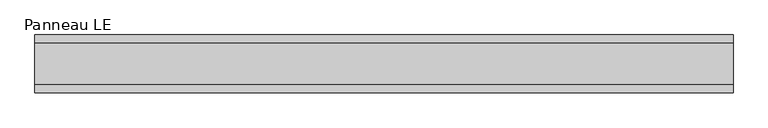
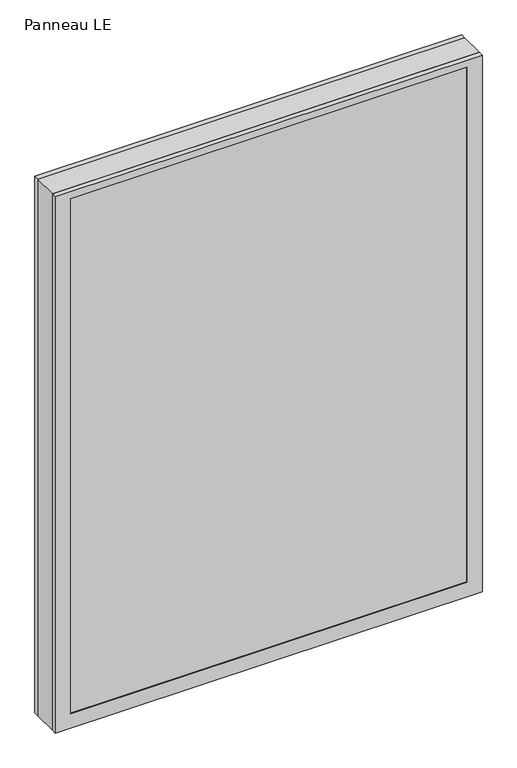
"""IFC4 building model written with IfcOpenShell, lengths in millimetres: plate geometry, Panneau LE."""

from ifc_helpers import new_model, si_unit, frame, origin, place, context, project, spatial, polyline, outline, extrude, faceted_brep, source, transform, mapped, element, save


def panneau_le_fe70c962(model_context):
    return source(origin(), model_context, "Body", "SolidModel", [
        faceted_brep([(-544.8750001, 33.0, 1446.5), (-544.8750001, 45.0, 1446.5), (-544.8750001, 45.0, 0.0), (-544.8750001, 33.0, 0.0), (544.8750001, 33.0, 0.0), (544.8750001, 45.0, 0.0), (544.8750001, 45.0, 1446.5), (544.8750001, 33.0, 1446.5), (-505.8750001, 45.0, 1427.5), (-505.8750001, 45.0, 39.0), (505.8750001, 45.0, 39.0), (505.8750001, 45.0, 1427.5), (505.8750001, 43.8, 1427.5), (-505.8750001, 43.8, 1427.5), (-520.8750001, 43.8, 1442.5), (-520.8750001, 43.8, 24.0), (520.8750001, 43.8, 24.0), (520.8750001, 43.8, 1442.5), (505.8750001, 43.8, 39.0), (-505.8750001, 43.8, 39.0), (520.8750001, 33.0, 1442.5), (-520.8750001, 33.0, 1442.5), (520.8750001, 33.0, 24.0), (-520.8750001, 33.0, 24.0)], [[[0, 1, 2, 3]], [[4, 5, 6, 7]], [[6, 1, 0, 7]], [[2, 1, 6, 5], [8, 9, 10, 11]], [[8, 11, 12, 13]], [[14, 15, 16, 17], [13, 12, 18, 19]], [[14, 17, 20, 21]], [[0, 3, 4, 7], [20, 22, 23, 21]], [[23, 22, 16, 15]], [[19, 18, 10, 9]], [[4, 3, 2, 5]], [[21, 23, 15, 14]], [[13, 19, 9, 8]], [[18, 12, 11, 10]], [[22, 20, 17, 16]]]),
        faceted_brep([(-544.8750001, -33.0, 0.0), (-544.8750001, -45.0, 0.0), (-544.8750001, -45.0, 1446.5), (-544.8750001, -33.0, 1446.5), (544.8750001, -45.0, 0.0), (544.8750001, -33.0, 0.0), (544.8750001, -33.0, 1446.5), (544.8750001, -45.0, 1446.5), (505.8750001, -45.0, 1427.5), (505.8750001, -45.0, 39.0), (-505.8750001, -45.0, 39.0), (-505.8750001, -45.0, 1427.5), (-520.8750001, -33.0, 1442.5), (-520.8750001, -33.0, 24.0), (520.8750001, -33.0, 24.0), (520.8750001, -33.0, 1442.5), (520.8750001, -43.8, 1442.5), (-520.8750001, -43.8, 1442.5), (520.8750001, -43.8, 24.0), (-520.8750001, -43.8, 24.0), (-505.8750001, -43.8, 1427.5), (-505.8750001, -43.8, 39.0), (505.8750001, -43.8, 39.0), (505.8750001, -43.8, 1427.5)], [[[0, 1, 2, 3]], [[4, 5, 6, 7]], [[2, 1, 4, 7], [8, 9, 10, 11]], [[6, 3, 2, 7]], [[0, 3, 6, 5], [12, 13, 14, 15]], [[12, 15, 16, 17]], [[17, 16, 18, 19], [20, 21, 22, 23]], [[8, 11, 20, 23]], [[10, 9, 22, 21]], [[19, 18, 14, 13]], [[4, 1, 0, 5]], [[11, 10, 21, 20]], [[17, 19, 13, 12]], [[18, 16, 15, 14]], [[9, 8, 23, 22]]]),
        extrude(outline(polyline([(1446.5, 544.8750001), (1446.5, -544.8750001), (0.0, -544.8750001), (0.0, 544.8750001), (1446.5, 544.8750001)]), holes=[polyline([(46.0, -504.8750001), (1420.5, -504.8750001), (1420.5, 504.8750001), (46.0, 504.8750001), (46.0, -504.8750001)])]), frame((0.0, -33.0, 0.0), z_axis=(0.0, 1.0, 0.0), x_axis=(0.0, 0.0, 1.0)), (0.0, 0.0, 1.0), 66.0),
        extrude(outline(polyline([(520.8750001, 37.8), (-520.8750001, 37.8), (-520.8750001, 43.8), (520.8750001, 43.8), (520.8750001, 37.8)])), frame((0.0, 0.0, 24.0), z_axis=(0.0, 0.0, 1.0), x_axis=(1.0, 0.0, 0.0)), (0.0, 0.0, 1.0), 1418.5),
        extrude(outline(polyline([(-520.8750001, -43.8), (-520.8750001, -37.8), (520.8750001, -37.8), (520.8750001, -43.8), (-520.8750001, -43.8)])), frame((0.0, 0.0, 24.0), z_axis=(0.0, 0.0, 1.0), x_axis=(1.0, 0.0, 0.0)), (0.0, 0.0, 1.0), 1418.5),
    ])


if __name__ == "__main__":
    model = new_model("IFC4")
    model_context = context("Model", 3, world=origin())
    ifc_project = project(units=[si_unit("LENGTHUNIT", "METRE", prefix="MILLI")], contexts=[model_context])
    site = spatial("IfcSite", under=ifc_project)
    building = spatial("IfcBuilding", under=site)
    placement = place(None, origin())
    panneau_le_shape = panneau_le_fe70c962(model_context)
    element("IfcPlate", 1, ObjectType="Panneau LE", at=placement, inside=building, context=model_context, shape_type="MappedRepresentation", body=[
        mapped(panneau_le_shape, transform((0.0, 0.0, 0.0), x_axis=(1.0, 0.0, 0.0), y_axis=(0.0, 1.0, 0.0), z_axis=(0.0, 0.0, 1.0))),
    ])
    save(model, "model.ifc")
